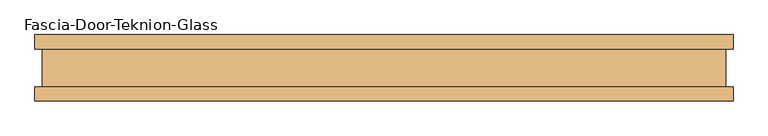
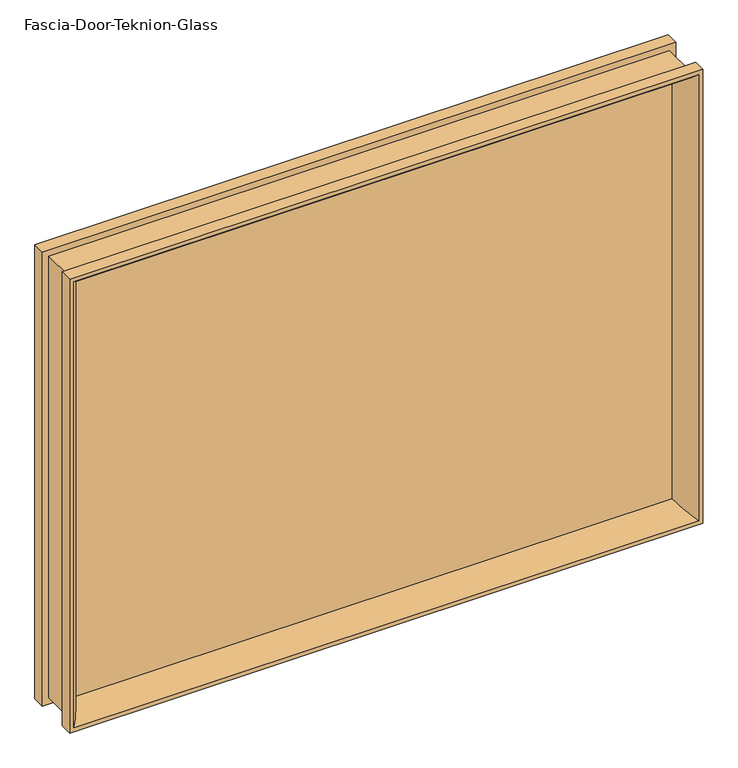
"""IFC4 building model written with IfcOpenShell, lengths in millimetres: door geometry, Fascia-Door-Teknion-Glass."""

from ifc_helpers import new_model, si_unit, frame, origin, place, context, project, spatial, polyline, ellipse_curve, outline, extrude, source, transform, mapped, element, save
from ifc_brep_helpers import plane_surface, cylinder_surface, advanced_brep


def fascia_door_teknion_glass_cfa58dbe(model_context):
    return source(origin(), model_context, "Body", "SolidModel", [
        advanced_brep(
        [(503.6977675, 5.0827449, 779.5923332), (521.6526179, 50.0558594, 797.5471836), (521.6526179, 50.0558594, 10.1728164), (503.6977675, 5.0827449, 28.1276668), (514.1879586, -5.0827449, 790.0825243), (514.1879586, 5.0827449, 790.0825243), (514.1879586, 5.0827449, 17.6374757), (514.1879586, -5.0827449, 17.6374757), (521.6526179, -50.0558594, 797.5471836), (503.6977675, -5.0827449, 779.5923332), (503.6977675, -5.0827449, 28.1276668), (521.6526179, -50.0558594, 10.1728164), (528.6504343, -28.8801202, 804.545), (528.6504343, -50.0558594, 804.545), (528.6504343, -50.0558594, 3.175), (528.6504343, -28.8801202, 3.175), (517.8254344, 28.2698798, 793.7200001), (517.8254344, -28.8801202, 793.7200001), (517.8254344, -28.8801202, 13.9999999), (517.8254344, 28.2698798, 13.9999999), (528.6504343, 50.0558594, 804.545), (528.6504343, 28.2698798, 804.545), (528.6504343, 28.2698798, 3.175), (528.6504343, 50.0558594, 3.175), (-521.6526179, 50.0558594, 10.1728164), (-503.6977675, 5.0827449, 28.1276668), (-514.1879586, 5.0827449, 17.6374757), (-514.1879586, -5.0827449, 17.6374757), (-503.6977675, -5.0827449, 28.1276668), (-521.6526179, -50.0558594, 10.1728164), (-528.6504343, -50.0558594, 3.175), (-528.6504343, -28.8801202, 3.175), (-517.8254344, -28.8801202, 13.9999999), (-517.8254344, 28.2698798, 13.9999999), (-528.6504343, 28.2698798, 3.175), (-528.6504343, 50.0558594, 3.175), (-521.6526179, 50.0558594, 797.5471836), (-503.6977675, 5.0827449, 779.5923332), (-514.1879586, 5.0827449, 790.0825243), (-514.1879586, -5.0827449, 790.0825243), (-503.6977675, -5.0827449, 779.5923332), (-521.6526179, -50.0558594, 797.5471836), (-528.6504343, -50.0558594, 804.545), (-528.6504343, -28.8801202, 804.545), (-517.8254344, -28.8801202, 793.7200001), (-517.8254344, 28.2698798, 793.7200001), (-528.6504343, 28.2698798, 804.545), (-528.6504343, 50.0558594, 804.545)],
        [
            (0, 1, ellipse_curve(frame((555.7840049, 10.3587469, 831.6785705), z_axis=(0.7071067811865475, 0.0, -0.7071067811865475), x_axis=(0.7071067811865474, 0.0, 0.7071067811865476)), 74.0379946, 52.352768)),
            (1, 2),
            (2, 3, ellipse_curve(frame((555.7840049, 10.3587469, -23.9585705), z_axis=(0.7071067811865475, 0.0, 0.7071067811865475), x_axis=(-0.7071067811865474, 0.0, 0.7071067811865476)), 74.0379946, 52.352768)),
            (3, 0),
            (4, 5),
            (5, 6),
            (6, 7),
            (7, 4),
            (8, 9, ellipse_curve(frame((555.7840049, -10.3587469, 831.6785705), z_axis=(0.7071067811865475, 0.0, -0.7071067811865475), x_axis=(0.7071067811865474, 0.0, 0.7071067811865476)), 74.0379946, 52.352768)),
            (9, 10),
            (10, 11, ellipse_curve(frame((555.7840049, -10.3587469, -23.9585705), z_axis=(0.7071067811865475, 0.0, 0.7071067811865475), x_axis=(-0.7071067811865474, 0.0, 0.7071067811865476)), 74.0379946, 52.352768)),
            (11, 8),
            (12, 13),
            (13, 14),
            (14, 15),
            (15, 12),
            (16, 17),
            (17, 18),
            (18, 19),
            (19, 16),
            (20, 21),
            (21, 22),
            (22, 23),
            (23, 20),
            (2, 24),
            (24, 25, ellipse_curve(frame((-555.7840049, 10.3587469, -23.9585705), z_axis=(0.7071067811865475, 0.0, -0.7071067811865475), x_axis=(0.7071067811865476, 0.0, 0.7071067811865474)), 74.0379946, 52.352768)),
            (25, 3),
            (6, 26),
            (26, 27),
            (27, 7),
            (10, 28),
            (28, 29, ellipse_curve(frame((-555.7840049, -10.3587469, -23.9585705), z_axis=(0.7071067811865475, 0.0, -0.7071067811865475), x_axis=(0.7071067811865476, 0.0, 0.7071067811865474)), 74.0379946, 52.352768)),
            (29, 11),
            (14, 30),
            (30, 31),
            (31, 15),
            (18, 32),
            (32, 33),
            (33, 19),
            (22, 34),
            (34, 35),
            (35, 23),
            (24, 36),
            (36, 37, ellipse_curve(frame((-555.7840049, 10.3587469, 831.6785705), z_axis=(-0.7071067811865475, 0.0, -0.7071067811865475), x_axis=(0.7071067811865474, 0.0, -0.7071067811865476)), 74.0379946, 52.352768)),
            (37, 25),
            (26, 38),
            (38, 39),
            (39, 27),
            (28, 40),
            (40, 41, ellipse_curve(frame((-555.7840049, -10.3587469, 831.6785705), z_axis=(-0.7071067811865475, 0.0, -0.7071067811865475), x_axis=(0.7071067811865474, 0.0, -0.7071067811865476)), 74.0379946, 52.352768)),
            (41, 29),
            (30, 42),
            (42, 43),
            (43, 31),
            (32, 44),
            (44, 45),
            (45, 33),
            (34, 46),
            (46, 47),
            (47, 35),
            (47, 20),
            (1, 36),
            (0, 37),
            (5, 38),
            (4, 39),
            (9, 40),
            (8, 41),
            (13, 42),
            (12, 43),
            (17, 44),
            (16, 45),
            (21, 46),
        ],
        [
            cylinder_surface(frame((555.7840049, 10.3587469, 804.545), z_axis=(0.0, 0.0, 1.0), x_axis=(1.0, 0.0, 0.0)), 52.352768),
            plane_surface(frame((514.1879586, 5.0827449, 790.0825243), z_axis=(-1.0, 0.0, 0.0), x_axis=(0.0, 0.0, -1.0))),
            cylinder_surface(frame((555.7840049, -10.3587469, 804.545), z_axis=(0.0, 0.0, 1.0), x_axis=(1.0, 0.0, 0.0)), 52.352768),
            plane_surface(frame((528.6504343, -50.0558594, 804.545), z_axis=(1.0, 0.0, 0.0), x_axis=(0.0, 0.0, -1.0))),
            plane_surface(frame((517.8254344, -28.8801202, 793.7200001), z_axis=(1.0, 0.0, 0.0), x_axis=(0.0, 0.0, -1.0))),
            plane_surface(frame((528.6504343, 28.2698798, 804.545), z_axis=(1.0, 0.0, 0.0), x_axis=(0.0, 0.0, -1.0))),
            cylinder_surface(frame((528.6504343, 10.3587469, -23.9585705), z_axis=(1.0, 0.0, 0.0), x_axis=(0.0, 0.0, -1.0)), 52.352768),
            plane_surface(frame((514.1879586, 5.0827449, 17.6374757), z_axis=(0.0, 0.0, 1.0), x_axis=(-1.0, 0.0, 0.0))),
            cylinder_surface(frame((528.6504343, -10.3587469, -23.9585705), z_axis=(1.0, 0.0, 0.0), x_axis=(0.0, 0.0, -1.0)), 52.352768),
            plane_surface(frame((528.6504343, -50.0558594, 3.175), z_axis=(0.0, 0.0, -1.0), x_axis=(-1.0, 0.0, 0.0))),
            plane_surface(frame((517.8254344, -28.8801202, 13.9999999), z_axis=(0.0, 0.0, -1.0), x_axis=(-1.0, 0.0, 0.0))),
            plane_surface(frame((528.6504343, 28.2698798, 3.175), z_axis=(0.0, 0.0, -1.0), x_axis=(-1.0, 0.0, 0.0))),
            cylinder_surface(frame((-555.7840049, 10.3587469, 3.175), z_axis=(0.0, 0.0, -1.0), x_axis=(-1.0, 0.0, 0.0)), 52.352768),
            plane_surface(frame((-514.1879586, 5.0827449, 17.6374757), z_axis=(1.0, 0.0, 0.0), x_axis=(0.0, 0.0, 1.0))),
            cylinder_surface(frame((-555.7840049, -10.3587469, 3.175), z_axis=(0.0, 0.0, -1.0), x_axis=(-1.0, 0.0, 0.0)), 52.352768),
            plane_surface(frame((-528.6504343, -50.0558594, 3.175), z_axis=(-1.0, 0.0, 0.0), x_axis=(0.0, 0.0, 1.0))),
            plane_surface(frame((-517.8254344, -28.8801202, 13.9999999), z_axis=(-1.0, 0.0, 0.0), x_axis=(0.0, 0.0, 1.0))),
            plane_surface(frame((-528.6504343, 28.2698798, 3.175), z_axis=(-1.0, 0.0, 0.0), x_axis=(0.0, 0.0, 1.0))),
            plane_surface(frame((-528.6504343, 50.0558594, 804.545), z_axis=(0.0, 1.0, 0.0), x_axis=(1.0, 0.0, 0.0))),
            cylinder_surface(frame((-528.6504343, 10.3587469, 831.6785705), z_axis=(-1.0, 0.0, 0.0), x_axis=(0.0, 0.0, 1.0)), 52.352768),
            plane_surface(frame((-503.6977675, 5.0827449, 779.5923332), z_axis=(0.0, -1.0, 0.0), x_axis=(1.0, 0.0, 0.0))),
            plane_surface(frame((-514.1879586, 5.0827449, 790.0825243), z_axis=(0.0, 0.0, -1.0), x_axis=(1.0, 0.0, 0.0))),
            plane_surface(frame((-514.1879586, -5.0827449, 790.0825243), z_axis=(0.0, 1.0, 0.0), x_axis=(1.0, 0.0, 0.0))),
            cylinder_surface(frame((-528.6504343, -10.3587469, 831.6785705), z_axis=(-1.0, 0.0, 0.0), x_axis=(0.0, 0.0, 1.0)), 52.352768),
            plane_surface(frame((-521.6526179, -50.0558594, 797.5471836), z_axis=(0.0, -1.0, 0.0), x_axis=(1.0, 0.0, 0.0))),
            plane_surface(frame((-528.6504343, -50.0558594, 804.545), z_axis=(0.0, 0.0, 1.0), x_axis=(1.0, 0.0, 0.0))),
            plane_surface(frame((-528.6504343, -28.8801202, 804.545), z_axis=(0.0, 1.0, 0.0), x_axis=(1.0, 0.0, 0.0))),
            plane_surface(frame((-517.8254344, -28.8801202, 793.7200001), z_axis=(0.0, 0.0, 1.0), x_axis=(1.0, 0.0, 0.0))),
            plane_surface(frame((-517.8254344, 28.2698798, 793.7200001), z_axis=(0.0, -1.0, 0.0), x_axis=(1.0, 0.0, 0.0))),
            plane_surface(frame((-528.6504343, 28.2698798, 804.545), z_axis=(0.0, 0.0, 1.0), x_axis=(1.0, 0.0, 0.0))),
        ],
        [
            (0, [[1, 2, 3, 4]]),
            (1, [[5, 6, 7, 8]]),
            (2, [[9, 10, 11, 12]]),
            (3, [[13, 14, 15, 16]]),
            (4, [[17, 18, 19, 20]]),
            (5, [[21, 22, 23, 24]]),
            (6, [[-3, 25, 26, 27]]),
            (7, [[-7, 28, 29, 30]]),
            (8, [[-11, 31, 32, 33]]),
            (9, [[-15, 34, 35, 36]]),
            (10, [[-19, 37, 38, 39]]),
            (11, [[-23, 40, 41, 42]]),
            (12, [[-26, 43, 44, 45]]),
            (13, [[-29, 46, 47, 48]]),
            (14, [[-32, 49, 50, 51]]),
            (15, [[-35, 52, 53, 54]]),
            (16, [[-38, 55, 56, 57]]),
            (17, [[-41, 58, 59, 60]]),
            (18, [[-42, -60, 61, -24], [62, -43, -25, -2]]),
            (19, [[-44, -62, -1, 63]]),
            (20, [[64, -46, -28, -6], [-27, -45, -63, -4]]),
            (21, [[-47, -64, -5, 65]]),
            (22, [[-30, -48, -65, -8], [66, -49, -31, -10]]),
            (23, [[-50, -66, -9, 67]]),
            (24, [[68, -52, -34, -14], [-33, -51, -67, -12]]),
            (25, [[-53, -68, -13, 69]]),
            (26, [[-36, -54, -69, -16], [70, -55, -37, -18]]),
            (27, [[-56, -70, -17, 71]]),
            (28, [[72, -58, -40, -22], [-39, -57, -71, -20]]),
            (29, [[-59, -72, -21, -61]]),
        ],
    ),
        extrude(outline(polyline([(514.1879586, 2.9765625), (514.1879586, -2.9765625), (-514.1879586, -2.9765625), (-514.1879586, 2.9765625), (514.1879586, 2.9765625)])), frame((0.0, 0.0, 17.6374757), z_axis=(0.0, 0.0, 1.0), x_axis=(1.0, 0.0, 0.0)), (0.0, 0.0, 1.0), 772.4450485),
    ])


if __name__ == "__main__":
    model = new_model("IFC4")
    model_context = context("Model", 3, world=origin())
    ifc_project = project(units=[si_unit("LENGTHUNIT", "METRE", prefix="MILLI")], contexts=[model_context])
    site = spatial("IfcSite", under=ifc_project)
    building = spatial("IfcBuilding", under=site)
    placement = place(None, origin())
    fascia_door_teknion_glass_shape = fascia_door_teknion_glass_cfa58dbe(model_context)
    element("IfcDoor", 1, ObjectType="Fascia-Door-Teknion-Glass", at=placement, inside=building, context=model_context, shape_type="MappedRepresentation", body=[
        mapped(fascia_door_teknion_glass_shape, transform((0.0, 0.0, 0.0), x_axis=(1.0, 0.0, 0.0), y_axis=(0.0, 1.0, 0.0), z_axis=(0.0, 0.0, 1.0))),
    ])
    save(model, "model.ifc")
